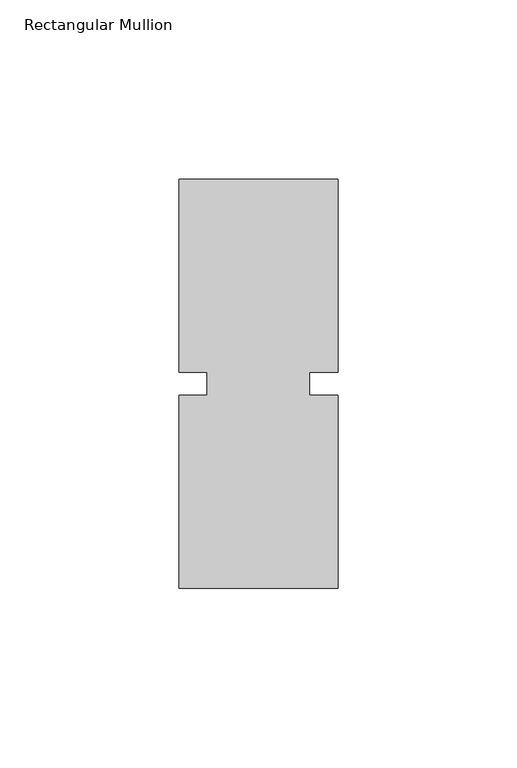
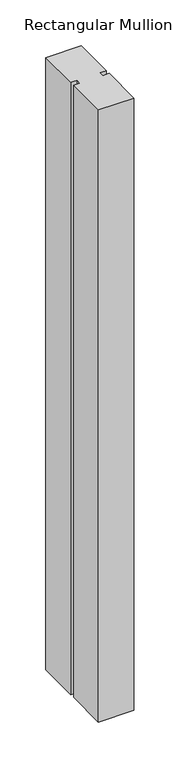
"""IFC4 building model written with IfcOpenShell, lengths in millimetres: member geometry, Rectangular Mullion."""

from ifc_helpers import new_model, si_unit, frame, origin, place, context, project, spatial, polyline, outline, extrude, source, transform, mapped, element, save


def rectangular_mullion_d491bc7d(model_context):
    return source(origin(), model_context, "Body", "SweptSolid", [
        extrude(outline(polyline([(-22.2250071, -3.175), (-14.2875071, -3.175), (-14.2875071, 3.175), (-22.2250071, 3.175), (-22.2250071, 57.15), (22.2250071, 57.15), (22.2250071, 3.175), (14.2875071, 3.175), (14.2875071, -3.175), (22.2250071, -3.175), (22.2250071, -57.15), (-22.2250071, -57.15), (-22.2250071, -3.175)])), frame((0.0, 0.0, -813.4921695), z_axis=(0.0, 0.0, 1.0), x_axis=(1.0, 0.0, 0.0)), (0.0, 0.0, 1.0), 813.4921695),
    ])


if __name__ == "__main__":
    model = new_model("IFC4")
    model_context = context("Model", 3, world=origin())
    ifc_project = project(units=[si_unit("LENGTHUNIT", "METRE", prefix="MILLI")], contexts=[model_context])
    site = spatial("IfcSite", under=ifc_project)
    building = spatial("IfcBuilding", under=site)
    placement = place(None, origin())
    rectangular_mullion_shape = rectangular_mullion_d491bc7d(model_context)
    element("IfcMember", 1, ObjectType="Rectangular Mullion", at=placement, inside=building, context=model_context, shape_type="MappedRepresentation", body=[
        mapped(rectangular_mullion_shape, transform((0.0, 0.0, 0.0), x_axis=(1.0, 0.0, 0.0), y_axis=(0.0, 1.0, 0.0), z_axis=(0.0, 0.0, 1.0))),
    ])
    save(model, "model.ifc")
